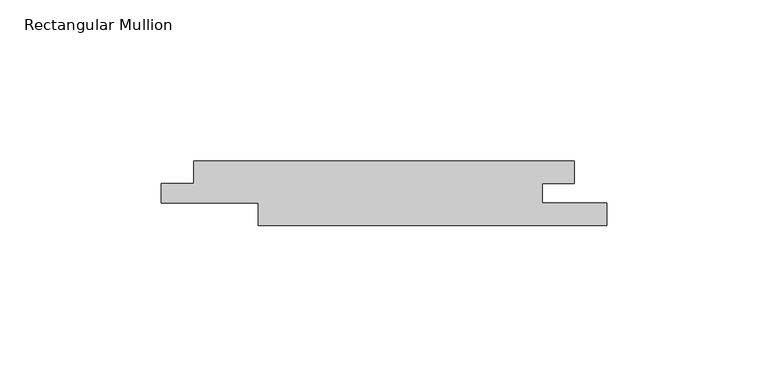
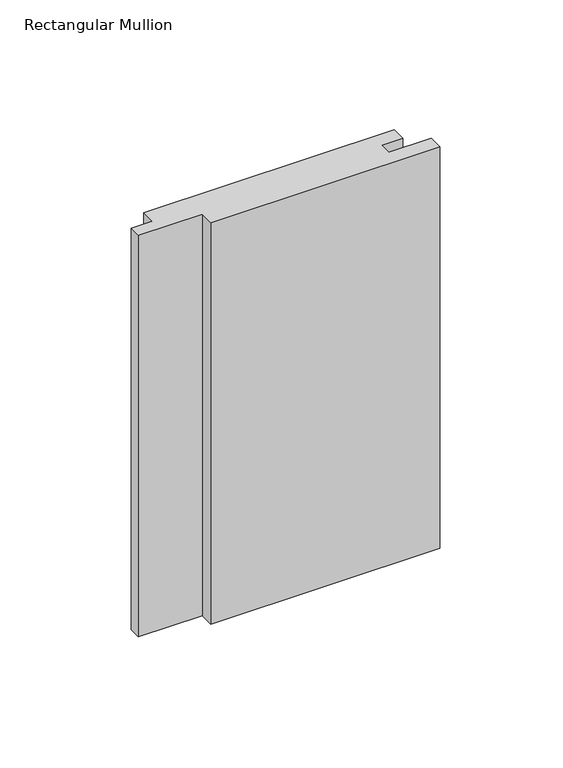
"""IFC4 building model written with IfcOpenShell, lengths in millimetres: member geometry, Rectangular Mullion."""

from ifc_helpers import new_model, si_unit, frame, origin, place, context, project, spatial, polyline, outline, extrude, source, transform, mapped, element, save


def rectangular_mullion_baf232c6(model_context):
    return source(origin(), model_context, "Body", "SweptSolid", [
        extrude(outline(polyline([(-138.0, -7.0), (-128.0288065, -7.0), (-128.0288065, 0.0), (-10.0, 0.0), (-10.0, -7.0), (-20.0, -7.0), (-20.0, -13.0), (0.0, -13.0), (0.0, -20.0), (-108.0288065, -20.0), (-108.0288065, -13.0), (-138.0, -13.0), (-138.0, -7.0)])), frame((0.0, 0.0, -200.0), z_axis=(0.0, 0.0, 1.0), x_axis=(1.0, 0.0, 0.0)), (0.0, 0.0, 1.0), 200.0),
    ])


if __name__ == "__main__":
    model = new_model("IFC4")
    model_context = context("Model", 3, world=origin())
    ifc_project = project(units=[si_unit("LENGTHUNIT", "METRE", prefix="MILLI")], contexts=[model_context])
    site = spatial("IfcSite", under=ifc_project)
    building = spatial("IfcBuilding", under=site)
    placement = place(None, origin())
    rectangular_mullion_shape = rectangular_mullion_baf232c6(model_context)
    element("IfcMember", 1, ObjectType="Rectangular Mullion", at=placement, inside=building, context=model_context, shape_type="MappedRepresentation", body=[
        mapped(rectangular_mullion_shape, transform((0.0, 0.0, 0.0), x_axis=(1.0, 0.0, 0.0), y_axis=(0.0, 1.0, 0.0), z_axis=(0.0, 0.0, 1.0))),
    ])
    save(model, "model.ifc")
